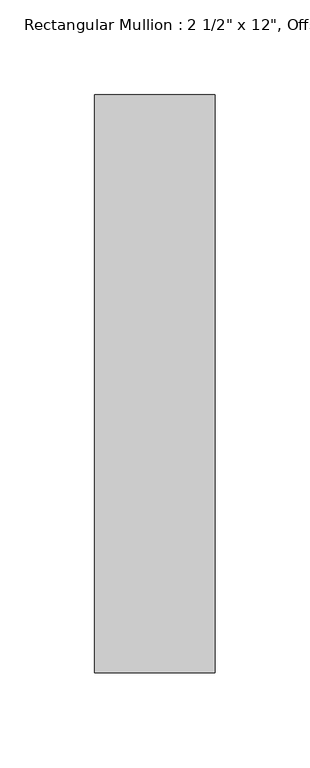
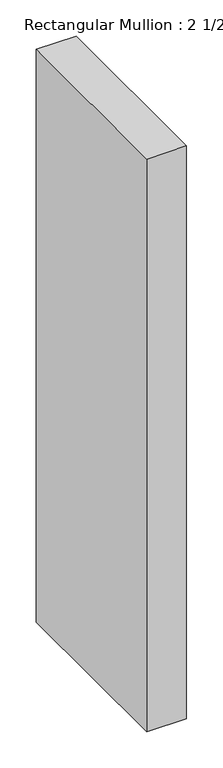
"""IFC4 building model written with IfcOpenShell, lengths in millimetres: member geometry."""

from ifc_helpers import new_model, si_unit, frame, origin, place, context, project, spatial, polyline, outline, extrude, source, transform, mapped, element, save


def member_ed0cb448(model_context):
    return source(origin(), model_context, "Body", "SweptSolid", [
        extrude(outline(polyline([(0.0, 177.8), (0.0, -127.0), (-63.5, -127.0), (-63.5, 177.8), (0.0, 177.8)])), frame((0.0, 0.0, -965.2), z_axis=(0.0, 0.0, 1.0), x_axis=(1.0, 0.0, 0.0)), (0.0, 0.0, 1.0), 965.2),
    ])


if __name__ == "__main__":
    model = new_model("IFC4")
    model_context = context("Model", 3, world=origin())
    ifc_project = project(units=[si_unit("LENGTHUNIT", "METRE", prefix="MILLI")], contexts=[model_context])
    site = spatial("IfcSite", under=ifc_project)
    building = spatial("IfcBuilding", under=site)
    placement = place(None, origin())
    member_shape = member_ed0cb448(model_context)
    element("IfcMember", 1, ObjectType="Rectangular Mullion : 2 1/2\" x 12\", Offset -1\"", at=placement, inside=building, context=model_context, shape_type="MappedRepresentation", body=[
        mapped(member_shape, transform((0.0, 0.0, 0.0), x_axis=(1.0, 0.0, 0.0), y_axis=(0.0, 1.0, 0.0), z_axis=(0.0, 0.0, 1.0))),
    ])
    save(model, "model.ifc")
